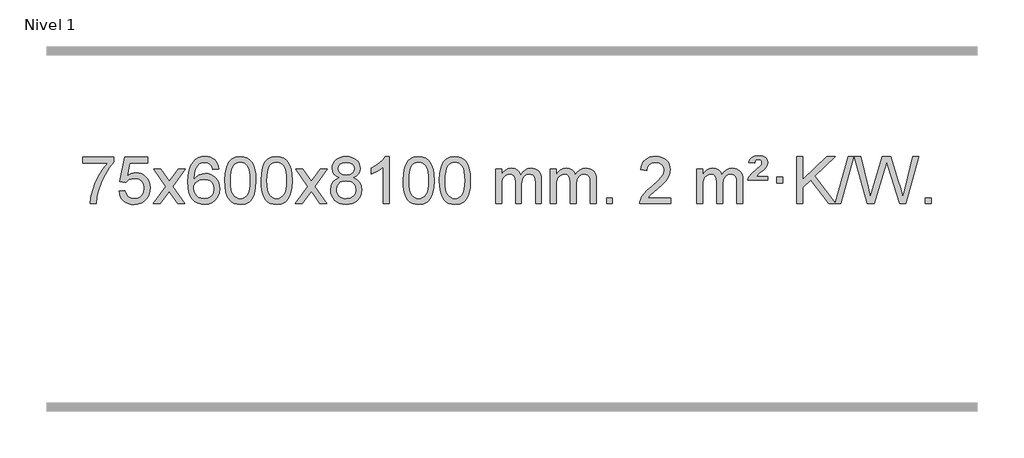
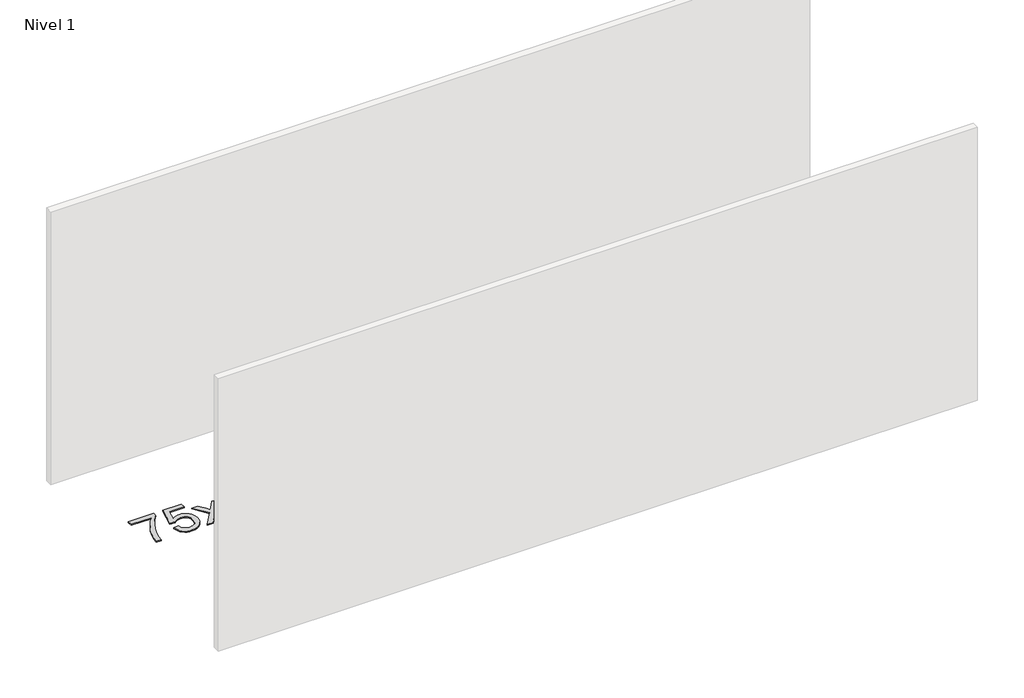
# One storey, part 19 of 25: 1 proxy.
"""IFC4 building model written with IfcOpenShell, lengths in millimetres."""

from ifc_helpers import new_model, si_unit, origin, origin_with_axes, place, context, project, spatial, polyline, outline, extrude, element, save

model = new_model("IFC4")

# Units and contexts
model_context = context("Model", 3, world=origin())
ifc_project = project(units=[si_unit("LENGTHUNIT", "METRE", prefix="MILLI")], contexts=[model_context])

# Site, building, storey
site = spatial("IfcSite", under=ifc_project)
building = spatial("IfcBuilding", under=site)
storey = spatial("IfcBuildingStorey", under=building, Name="Nivel 1", Elevation=0.0)

# Proxy
placement = place(None, origin())
element("IfcBuildingElementProxy", 1, Name="Texto de modelo 1", ObjectType="Texto de modelo 1", at=placement, inside=storey, context=model_context, shape_type="SweptSolid", body=[
    extrude(outline(polyline([(76.1355068, -12090.2608869), (76.1355068, -12040.0327318), (339.8333209, -12040.0327318), (339.8333209, -12080.646904), (302.2480437, -12128.214046), (265.0306485, -12188.7061088), (232.2033118, -12256.6048623), (207.7882101, -12326.3920768), (195.8197825, -12378.6067947), (189.1488557, -12435.579453), (138.9207006, -12435.579453), (144.3530914, -12383.8061935), (158.8844302, -12322.2717985), (182.1223096, -12257.0463207), (213.674322, -12194.1998132), (250.5115725, -12137.3865704), (289.6051658, -12090.2608869), (76.1355068, -12090.2608869)])), origin_with_axes(), (0.0, 0.0, 1.0), 10.0),
    extrude(outline(polyline([(383.7829566, -12328.8446235), (434.0111117, -12322.5661041), (443.232687, -12352.7201649), (459.3213929, -12374.3148381), (482.203653, -12387.3010725), (511.8058909, -12391.6298173), (530.9357547, -12390.1245668), (547.8092755, -12385.6088153), (562.4264534, -12378.0825628), (574.7872885, -12367.5458094), (584.6158691, -12354.519721), (591.6362839, -12339.5254641), (597.2526157, -12303.6324441), (591.9919031, -12269.8363514), (585.4160125, -12255.9181493), (576.2097655, -12243.9865099), (564.3425055, -12234.4154467), (549.7835755, -12227.5789729), (512.5907058, -12222.1097939), (488.224655, -12224.2925604), (468.4939173, -12230.8408599), (452.7363052, -12240.8717757), (440.2896311, -12253.5023908), (390.061476, -12247.2238715), (434.0111117, -12040.0327318), (628.6452126, -12040.0327318), (628.6452126, -12090.2608869), (474.6252839, -12090.2608869), (453.0428735, -12200.919791), (470.7686544, -12188.2155994), (488.9236308, -12179.1411769), (507.5078029, -12173.6965234), (526.5211707, -12171.8816388), (550.9853234, -12174.1318504), (573.4629133, -12180.882485), (593.9539404, -12192.1335427), (612.4584048, -12207.8850234), (627.7806899, -12227.1743027), (638.7251792, -12249.038756), (645.2918729, -12273.4783832), (647.4807707, -12300.4931844), (645.5126021, -12326.5147042), (639.608096, -12350.7213394), (629.7672527, -12373.1130902), (615.9900719, -12393.6899565), (595.1189001, -12414.7634634), (570.765112, -12429.8159684), (542.9287077, -12438.8474714), (511.6096872, -12441.8579724), (485.6893349, -12439.9235262), (462.2767116, -12434.1201877), (441.3718173, -12424.447957), (422.9746518, -12410.9068338), (407.6676951, -12394.1712688), (396.033427, -12374.915712), (388.0718475, -12353.1401636), (383.7829566, -12328.8446235)])), origin_with_axes(), (0.0, 0.0, 1.0), 10.0),
    extrude(outline(polyline([(672.5948483, -12435.579453), (779.918289, -12287.1513307), (678.8733677, -12140.4890419), (739.107913, -12140.4890419), (787.8645401, -12211.2204869), (810.7222747, -12244.4770192), (830.5388515, -12217.2047007), (886.0645073, -12140.4890419), (946.4952564, -12140.4890419), (840.3490381, -12287.2494325), (942.5711818, -12435.579453), (882.2385346, -12435.579453), (820.6305631, -12346.3067555), (809.4469505, -12329.923744), (733.0255973, -12435.579453), (672.5948483, -12435.579453)])), origin_with_axes(), (0.0, 0.0, 1.0), 10.0),
    extrude(outline(polyline([(1231.3830735, -12140.4890419), (1181.1549184, -12146.7675613), (1173.0615145, -12121.874213), (1162.1231565, -12104.8780648), (1139.3389983, -12089.2062918), (1111.7968996, -12083.9823675), (1088.4486556, -12087.0235253), (1066.4738378, -12096.1469988), (1047.6014914, -12115.3627017), (1032.1872358, -12141.8134171), (1021.7761754, -12179.227016), (1017.9134144, -12231.3313693), (1038.061085, -12207.8237098), (1062.2064066, -12191.2567573), (1089.0004786, -12181.434308), (1117.0944003, -12178.1601582), (1141.2274592, -12180.398107), (1163.4965826, -12187.1119534), (1183.9017706, -12198.3016975), (1202.4430232, -12213.9673391), (1217.8511474, -12233.1769106), (1228.8569504, -12254.9984443), (1235.4604323, -12279.4319401), (1237.6615929, -12306.4773982), (1233.5167891, -12342.4439945), (1221.0823776, -12375.786366), (1201.3884281, -12404.0642287), (1175.4650102, -12424.8372987), (1144.4893462, -12437.602804), (1109.6386585, -12441.8579724), (1079.6961298, -12439.0375437), (1052.6537375, -12430.5762579), (1028.5114816, -12416.4741147), (1007.269362, -12396.7311143), (989.9513171, -12370.5133908), (977.581285, -12336.9870783), (970.1592658, -12296.1521768), (967.6852593, -12248.0086864), (970.4321116, -12194.0342663), (978.6726683, -12147.9693092), (992.4069294, -12109.8138149), (1011.634895, -12079.5677835), (1032.4754101, -12059.5243462), (1056.6391258, -12045.2076052), (1084.1260422, -12036.6175606), (1114.9361593, -12033.7542124), (1138.0698054, -12035.5261773), (1159.0084223, -12040.8420722), (1177.7520099, -12049.7018969), (1194.3005684, -12062.1056515), (1208.2065078, -12077.6364031), (1219.0222384, -12095.8772186), (1226.7477603, -12116.8280983), (1231.3830735, -12140.4890419)]), holes=[polyline([(1017.9134144, -12305.6925832), (1020.8196822, -12327.9494439), (1029.5384855, -12349.2007605), (1043.0765429, -12367.472233), (1060.4405731, -12380.7895612), (1081.397584, -12388.9197533), (1105.7145839, -12391.6298173), (1138.8607517, -12386.0134855), (1152.7758882, -12378.9930708), (1164.9190597, -12369.1644901), (1174.7691001, -12356.9262824), (1181.8048433, -12342.6769865), (1187.4334378, -12308.1451299), (1181.8784197, -12274.9989621), (1174.934647, -12261.3781312), (1165.2133653, -12249.725469), (1153.0334056, -12240.3904634), (1138.7135989, -12233.7226022), (1103.6544448, -12228.3883133), (1070.5573279, -12233.7226022), (1042.8803391, -12249.725469), (1031.9573096, -12261.2248471), (1024.1551456, -12274.3858254), (1019.4738472, -12289.2084042), (1017.9134144, -12305.6925832)])]), origin_with_axes(), (0.0, 0.0, 1.0), 10.0),
    extrude(outline(polyline([(1281.6112286, -12237.9041943), (1285.3023112, -12173.5861588), (1296.3755593, -12122.2911459), (1314.7206081, -12083.2343407), (1326.5786711, -12068.0009605), (1340.2270931, -12055.6309284), (1355.7118594, -12046.0598651), (1373.0789553, -12039.2233914), (1413.4601356, -12033.7542124), (1444.4112742, -12036.991574), (1472.1250511, -12046.7036586), (1495.3016168, -12062.5103217), (1512.6411215, -12084.0314184), (1525.7377206, -12111.0830078), (1536.1855692, -12143.4811488), (1543.0281743, -12184.6226186), (1545.3090427, -12237.9041943), (1541.6547482, -12301.8543477), (1530.6918648, -12353.0267333), (1512.4571805, -12392.1203266), (1500.6267087, -12407.3996922), (1486.9874837, -12419.8341036), (1471.4843233, -12429.4695462), (1454.0620452, -12436.3520052), (1413.4601356, -12441.8579724), (1385.7954096, -12439.4667394), (1361.2699432, -12432.2930405), (1339.8837366, -12420.3368757), (1321.6367896, -12403.5982449), (1304.1256067, -12373.3399508), (1291.6176188, -12335.6381776), (1284.1128261, -12290.4929255), (1281.6112286, -12237.9041943)]), holes=[polyline([(1331.8393836, -12237.8060924), (1333.3109116, -12281.4706195), (1337.7254956, -12316.8148822), (1345.0831355, -12343.8388804), (1355.3838313, -12362.5426142), (1367.8427682, -12375.2682656), (1381.6751312, -12384.3580165), (1396.8809204, -12389.8118671), (1413.4601356, -12391.6298173), (1430.0393509, -12389.8057357), (1445.24514, -12384.3334911), (1459.077503, -12375.2130833), (1471.5364399, -12362.4445124), (1481.8371358, -12343.7101217), (1489.1947757, -12316.6922549), (1493.6093596, -12281.3909118), (1495.0808876, -12237.8060924), (1493.6584106, -12195.2973278), (1489.3909794, -12160.5753989), (1482.2785942, -12133.6403055), (1472.3212549, -12114.4920476), (1460.0707844, -12101.1440625), (1446.0790059, -12091.6097875), (1430.3459192, -12085.8892225), (1412.8715244, -12083.9823675), (1396.3781483, -12085.6623619), (1381.4298766, -12090.7023452), (1368.0267092, -12099.1023175), (1356.1686462, -12110.8622786), (1345.5245938, -12131.708925), (1337.9216993, -12159.8151094), (1333.3599625, -12195.1808319), (1331.8393836, -12237.8060924)])]), origin_with_axes(), (0.0, 0.0, 1.0), 10.0),
    extrude(outline(polyline([(1589.2586784, -12237.9041943), (1592.9497611, -12173.5861588), (1604.0230091, -12122.2911459), (1622.368058, -12083.2343407), (1634.2261209, -12068.0009605), (1647.874543, -12055.6309284), (1663.3593093, -12046.0598651), (1680.7264051, -12039.2233914), (1721.1075855, -12033.7542124), (1752.058724, -12036.991574), (1779.772501, -12046.7036586), (1802.9490667, -12062.5103217), (1820.2885714, -12084.0314184), (1833.3851704, -12111.0830078), (1843.833019, -12143.4811488), (1850.6756242, -12184.6226186), (1852.9564925, -12237.9041943), (1849.302198, -12301.8543477), (1838.3393146, -12353.0267333), (1820.1046304, -12392.1203266), (1808.2741585, -12407.3996922), (1794.6349336, -12419.8341036), (1779.1317731, -12429.4695462), (1761.709495, -12436.3520052), (1721.1075855, -12441.8579724), (1693.4428594, -12439.4667394), (1668.9173931, -12432.2930405), (1647.5311864, -12420.3368757), (1629.2842395, -12403.5982449), (1611.7730565, -12373.3399508), (1599.2650687, -12335.6381776), (1591.760276, -12290.4929255), (1589.2586784, -12237.9041943)]), holes=[polyline([(1639.4868335, -12237.8060924), (1640.9583614, -12281.4706195), (1645.3729454, -12316.8148822), (1652.7305853, -12343.8388804), (1663.0312812, -12362.5426142), (1675.4902181, -12375.2682656), (1689.3225811, -12384.3580165), (1704.5283702, -12389.8118671), (1721.1075855, -12391.6298173), (1737.6868007, -12389.8057357), (1752.8925898, -12384.3334911), (1766.7249529, -12375.2130833), (1779.1838898, -12362.4445124), (1789.4845856, -12343.7101217), (1796.8422255, -12316.6922549), (1801.2568095, -12281.3909118), (1802.7283375, -12237.8060924), (1801.3058604, -12195.2973278), (1797.0384293, -12160.5753989), (1789.926044, -12133.6403055), (1779.9687047, -12114.4920476), (1767.7182342, -12101.1440625), (1753.7264557, -12091.6097875), (1737.993369, -12085.8892225), (1720.5189743, -12083.9823675), (1704.0255981, -12085.6623619), (1689.0773264, -12090.7023452), (1675.6741591, -12099.1023175), (1663.8160961, -12110.8622786), (1653.1720437, -12131.708925), (1645.5691491, -12159.8151094), (1641.0074124, -12195.1808319), (1639.4868335, -12237.8060924)])]), origin_with_axes(), (0.0, 0.0, 1.0), 10.0),
    extrude(outline(polyline([(1878.0705701, -12435.579453), (1985.3940108, -12287.1513307), (1884.3490895, -12140.4890419), (1944.5836348, -12140.4890419), (1993.3402619, -12211.2204869), (2016.1979965, -12244.4770192), (2036.0145733, -12217.2047007), (2091.5402291, -12140.4890419), (2151.9709782, -12140.4890419), (2045.8247599, -12287.2494325), (2148.0469036, -12435.579453), (2087.7142564, -12435.579453), (2026.1062849, -12346.3067555), (2014.9226723, -12329.923744), (1938.5013191, -12435.579453), (1878.0705701, -12435.579453)])), origin_with_axes(), (0.0, 0.0, 1.0), 10.0),
    extrude(outline(polyline([(2252.6234921, -12214.2616447), (2225.7313182, -12201.0178929), (2206.8589719, -12183.0652515), (2195.7121474, -12160.7716026), (2191.9965393, -12134.5048281), (2194.0198903, -12114.0199324), (2200.0899432, -12095.2395565), (2210.206698, -12078.1637006), (2224.3701549, -12062.7923645), (2241.8997319, -12050.088173), (2262.1148476, -12041.0137504), (2285.0155018, -12035.5690969), (2310.6016945, -12033.7542124), (2336.3105146, -12035.6120165), (2359.3828471, -12041.1854287), (2379.8186919, -12050.4744491), (2397.6180491, -12063.4790776), (2412.0390233, -12079.1508506), (2422.3397192, -12096.4413044), (2428.5201367, -12115.3504389), (2430.5802759, -12135.8782543), (2426.9137187, -12161.2989001), (2415.914047, -12183.2124043), (2397.4586336, -12201.0546811), (2371.4248511, -12214.2616447), (2402.3392014, -12230.1909351), (2424.8413168, -12253.6495436), (2438.5633152, -12283.5092989), (2443.1373147, -12318.6420295), (2440.868709, -12343.6947933), (2434.0628921, -12366.6628926), (2422.7198639, -12387.5463272), (2406.8396245, -12406.3450971), (2387.2560396, -12421.88198), (2364.8029752, -12432.9797536), (2339.4804312, -12439.6384177), (2311.2884076, -12441.8579724), (2283.096384, -12439.6292206), (2257.77384, -12432.9429654), (2235.3207756, -12421.7992066), (2215.7371907, -12406.1979443), (2199.8569512, -12387.26735), (2188.5139231, -12366.135595), (2181.7081062, -12342.8026795), (2179.4395005, -12317.2686033), (2184.197441, -12280.7747094), (2198.4712624, -12250.7555386), (2221.5252008, -12228.2411605), (2252.6234921, -12214.2616447)]), holes=[polyline([(2229.6676556, -12315.5027698), (2231.764583, -12334.7184726), (2238.0553651, -12353.3210389), (2249.6681734, -12369.5446349), (2267.7311794, -12381.623427), (2289.3626407, -12389.1282197), (2311.680815, -12391.6298173), (2345.8693151, -12386.3691048), (2359.7629918, -12379.7932141), (2371.5229529, -12370.5869672), (2387.5626079, -12346.6869002), (2392.9091596, -12317.0723996), (2387.3909297, -12286.9551269), (2370.8362399, -12262.5277625), (2358.7574477, -12253.0854579), (2344.5939909, -12246.3409547), (2310.0130833, -12240.9453521), (2276.3028298, -12246.2673783), (2262.565503, -12252.919911), (2250.9067094, -12262.2334569), (2234.9774191, -12286.1948375), (2229.6676556, -12315.5027698)]), polyline([(2242.2246944, -12135.9763561), (2246.6760665, -12157.902123), (2260.0301829, -12175.413306), (2281.8946362, -12186.8912243), (2311.8770188, -12190.717197), (2341.1604256, -12186.9157497), (2362.693785, -12175.5114079), (2375.9375369, -12158.5888361), (2380.3521208, -12138.232699), (2375.7903841, -12117.1040098), (2362.1051739, -12099.629615), (2340.2775088, -12087.8941794), (2311.2884076, -12083.9823675), (2282.1153654, -12087.8083402), (2260.3244885, -12099.2862585), (2246.7496429, -12116.1107284), (2242.2246944, -12135.9763561)])]), origin_with_axes(), (0.0, 0.0, 1.0), 10.0),
    extrude(outline(polyline([(2675.4425319, -12435.579453), (2625.2143768, -12435.579453), (2625.2143768, -12122.4382987), (2604.2451031, -12139.3976587), (2577.6349721, -12156.3324932), (2524.7580667, -12181.6918254), (2524.7580667, -12134.2105225), (2564.2072793, -12112.7507395), (2598.3835166, -12087.219729), (2625.3247414, -12060.0700378), (2643.0689163, -12033.7542124), (2675.4425319, -12033.7542124), (2675.4425319, -12435.579453)])), origin_with_axes(), (0.0, 0.0, 1.0), 10.0),
    extrude(outline(polyline([(2794.7344002, -12237.9041943), (2798.4254829, -12173.5861588), (2809.4987309, -12122.2911459), (2827.8437797, -12083.2343407), (2839.7018427, -12068.0009605), (2853.3502647, -12055.6309284), (2868.8350311, -12046.0598651), (2886.2021269, -12039.2233914), (2926.5833073, -12033.7542124), (2957.5344458, -12036.991574), (2985.2482228, -12046.7036586), (3008.4247884, -12062.5103217), (3025.7642932, -12084.0314184), (3038.8608922, -12111.0830078), (3049.3087408, -12143.4811488), (3056.151346, -12184.6226186), (3058.4322143, -12237.9041943), (3054.7779198, -12301.8543477), (3043.8150364, -12353.0267333), (3025.5803522, -12392.1203266), (3013.7498803, -12407.3996922), (3000.1106554, -12419.8341036), (2984.6074949, -12429.4695462), (2967.1852168, -12436.3520052), (2926.5833073, -12441.8579724), (2898.9185812, -12439.4667394), (2874.3931149, -12432.2930405), (2853.0069082, -12420.3368757), (2834.7599613, -12403.5982449), (2817.2487783, -12373.3399508), (2804.7407905, -12335.6381776), (2797.2359977, -12290.4929255), (2794.7344002, -12237.9041943)]), holes=[polyline([(2844.9625553, -12237.8060924), (2846.4340832, -12281.4706195), (2850.8486672, -12316.8148822), (2858.2063071, -12343.8388804), (2868.5070029, -12362.5426142), (2880.9659399, -12375.2682656), (2894.7983029, -12384.3580165), (2910.004092, -12389.8118671), (2926.5833073, -12391.6298173), (2943.1625225, -12389.8057357), (2958.3683116, -12384.3334911), (2972.2006747, -12375.2130833), (2984.6596116, -12362.4445124), (2994.9603074, -12343.7101217), (3002.3179473, -12316.6922549), (3006.7325313, -12281.3909118), (3008.2040592, -12237.8060924), (3006.7815822, -12195.2973278), (3002.5141511, -12160.5753989), (2995.4017658, -12133.6403055), (2985.4444265, -12114.4920476), (2973.193956, -12101.1440625), (2959.2021775, -12091.6097875), (2943.4690908, -12085.8892225), (2925.9946961, -12083.9823675), (2909.5013199, -12085.6623619), (2894.5530482, -12090.7023452), (2881.1498808, -12099.1023175), (2869.2918179, -12110.8622786), (2858.6477655, -12131.708925), (2851.0448709, -12159.8151094), (2846.4831342, -12195.1808319), (2844.9625553, -12237.8060924)])]), origin_with_axes(), (0.0, 0.0, 1.0), 10.0),
    extrude(outline(polyline([(3102.38185, -12237.9041943), (3106.0729327, -12173.5861588), (3117.1461808, -12122.2911459), (3135.4912296, -12083.2343407), (3147.3492926, -12068.0009605), (3160.9977146, -12055.6309284), (3176.4824809, -12046.0598651), (3193.8495767, -12039.2233914), (3234.2307571, -12033.7542124), (3265.1818956, -12036.991574), (3292.8956726, -12046.7036586), (3316.0722383, -12062.5103217), (3333.411743, -12084.0314184), (3346.508342, -12111.0830078), (3356.9561907, -12143.4811488), (3363.7987958, -12184.6226186), (3366.0796642, -12237.9041943), (3362.4253697, -12301.8543477), (3351.4624862, -12353.0267333), (3333.227802, -12392.1203266), (3321.3973302, -12407.3996922), (3307.7581052, -12419.8341036), (3292.2549448, -12429.4695462), (3274.8326666, -12436.3520052), (3234.2307571, -12441.8579724), (3206.566031, -12439.4667394), (3182.0405647, -12432.2930405), (3160.6543581, -12420.3368757), (3142.4074111, -12403.5982449), (3124.8962281, -12373.3399508), (3112.3882403, -12335.6381776), (3104.8834476, -12290.4929255), (3102.38185, -12237.9041943)]), holes=[polyline([(3152.6100051, -12237.8060924), (3154.0815331, -12281.4706195), (3158.496117, -12316.8148822), (3165.8537569, -12343.8388804), (3176.1544528, -12362.5426142), (3188.6133897, -12375.2682656), (3202.4457527, -12384.3580165), (3217.6515418, -12389.8118671), (3234.2307571, -12391.6298173), (3250.8099723, -12389.8057357), (3266.0157615, -12384.3334911), (3279.8481245, -12375.2130833), (3292.3070614, -12362.4445124), (3302.6077573, -12343.7101217), (3309.9653972, -12316.6922549), (3314.3799811, -12281.3909118), (3315.8515091, -12237.8060924), (3314.429032, -12195.2973278), (3310.1616009, -12160.5753989), (3303.0492157, -12133.6403055), (3293.0918763, -12114.4920476), (3280.8414059, -12101.1440625), (3266.8496273, -12091.6097875), (3251.1165407, -12085.8892225), (3233.6421459, -12083.9823675), (3217.1487698, -12085.6623619), (3202.200498, -12090.7023452), (3188.7973307, -12099.1023175), (3176.9392677, -12110.8622786), (3166.2952153, -12131.708925), (3158.6923207, -12159.8151094), (3154.130584, -12195.1808319), (3152.6100051, -12237.8060924)])]), origin_with_axes(), (0.0, 0.0, 1.0), 10.0),
    extrude(outline(polyline([(3579.5493232, -12435.579453), (3579.5493232, -12140.4890419), (3629.7774783, -12140.4890419), (3629.7774783, -12189.0494653), (3644.8851656, -12166.7435537), (3664.3093349, -12149.2691589), (3687.3877987, -12137.9751816), (3713.4583695, -12134.2105225), (3741.3928756, -12138.048758), (3763.7846264, -12149.5634645), (3780.5109945, -12167.9943524), (3791.4493524, -12192.5811324), (3809.7576131, -12167.0439906), (3830.6410477, -12148.803175), (3854.0996562, -12137.8586857), (3880.1334388, -12134.2105225), (3900.2412555, -12135.7280358), (3917.8903942, -12140.2805755), (3933.0808549, -12147.8681416), (3945.8126376, -12158.4907342), (3955.8772759, -12172.2709806), (3963.0663032, -12189.3315082), (3967.3797196, -12209.6723168), (3968.8175251, -12233.2934066), (3968.8175251, -12435.579453), (3918.58937, -12435.579453), (3918.58937, -12254.875817), (3917.4244103, -12229.8230531), (3913.9295314, -12212.9372695), (3907.3812319, -12201.3735121), (3897.0560105, -12192.2868268), (3883.7754705, -12186.4007149), (3868.3612149, -12184.4386776), (3841.15021, -12189.4663982), (3818.9669257, -12204.54956), (3810.3615527, -12216.1194488), (3804.2148577, -12230.7182326), (3799.2975017, -12269.0024856), (3799.2975017, -12435.579453), (3749.0693466, -12435.579453), (3749.0693466, -12249.2840106), (3746.1630788, -12220.8835206), (3737.4442756, -12200.6254854), (3722.1035964, -12188.4853796), (3699.3317009, -12184.4386776), (3679.9811079, -12187.1364789), (3662.1510939, -12195.2298828), (3647.4358141, -12208.5226856), (3637.4294238, -12226.8186835), (3631.6904647, -12252.2025411), (3629.7774783, -12286.7589232), (3629.7774783, -12435.579453), (3579.5493232, -12435.579453)])), origin_with_axes(), (0.0, 0.0, 1.0), 10.0),
    extrude(outline(polyline([(4044.1597577, -12435.579453), (4044.1597577, -12140.4890419), (4094.3879127, -12140.4890419), (4094.3879127, -12189.0494653), (4109.4956, -12166.7435537), (4128.9197694, -12149.2691589), (4151.9982332, -12137.9751816), (4178.0688039, -12134.2105225), (4206.0033101, -12138.048758), (4228.3950609, -12149.5634645), (4245.1214289, -12167.9943524), (4256.0597869, -12192.5811324), (4274.3680475, -12167.0439906), (4295.2514821, -12148.803175), (4318.7100907, -12137.8586857), (4344.7438732, -12134.2105225), (4364.8516899, -12135.7280358), (4382.5008286, -12140.2805755), (4397.6912893, -12147.8681416), (4410.4230721, -12158.4907342), (4420.4877103, -12172.2709806), (4427.6767376, -12189.3315082), (4431.990154, -12209.6723168), (4433.4279595, -12233.2934066), (4433.4279595, -12435.579453), (4383.1998044, -12435.579453), (4383.1998044, -12254.875817), (4382.0348448, -12229.8230531), (4378.5399658, -12212.9372695), (4371.9916663, -12201.3735121), (4361.666445, -12192.2868268), (4348.3859049, -12186.4007149), (4332.9716493, -12184.4386776), (4305.7606444, -12189.4663982), (4283.5773601, -12204.54956), (4274.9719871, -12216.1194488), (4268.8252921, -12230.7182326), (4263.9079361, -12269.0024856), (4263.9079361, -12435.579453), (4213.679781, -12435.579453), (4213.679781, -12249.2840106), (4210.7735133, -12220.8835206), (4202.05471, -12200.6254854), (4186.7140308, -12188.4853796), (4163.9421353, -12184.4386776), (4144.5915424, -12187.1364789), (4126.7615283, -12195.2298828), (4112.0462485, -12208.5226856), (4102.0398582, -12226.8186835), (4096.3008991, -12252.2025411), (4094.3879127, -12286.7589232), (4094.3879127, -12435.579453), (4044.1597577, -12435.579453)])), origin_with_axes(), (0.0, 0.0, 1.0), 10.0),
    extrude(outline(polyline([(4521.3272309, -12435.579453), (4521.3272309, -12385.3512979), (4571.555386, -12385.3512979), (4571.555386, -12435.579453), (4521.3272309, -12435.579453)])), origin_with_axes(), (0.0, 0.0, 1.0), 10.0),
    extrude(outline(polyline([(5067.5584173, -12385.3512979), (5067.5584173, -12435.579453), (4803.8606032, -12435.579453), (4804.9642492, -12417.8965918), (4809.2562058, -12400.9494945), (4821.653829, -12373.8856424), (4839.8149368, -12347.6311307), (4866.0694486, -12320.1503456), (4902.7472835, -12289.4076736), (4956.9363014, -12241.2641831), (4989.4202815, -12205.7267824), (5005.6438775, -12176.884834), (5011.0517429, -12148.8277005), (5005.9381831, -12123.6768347), (4990.5975039, -12102.7688747), (4967.016268, -12088.6789943), (4937.1810382, -12083.9823675), (4905.849755, -12088.5686297), (4881.5082296, -12102.3274163), (4865.7996684, -12124.1796068), (4860.3672776, -12153.0460807), (4810.1391226, -12146.7675613), (4814.4586703, -12120.838012), (4822.3160166, -12098.1826125), (4833.7111614, -12078.8013627), (4848.6441047, -12062.6942627), (4866.77149, -12050.0329907), (4887.7499608, -12040.989225), (4911.579517, -12035.5629655), (4938.2601587, -12033.7542124), (4965.1799237, -12035.7653006), (4989.1382387, -12041.7985654), (5010.1351036, -12051.8540066), (5028.1705184, -12065.9316242), (5042.6558719, -12082.9890861), (5053.002553, -12101.9840598), (5059.2105617, -12122.9165453), (5061.2798979, -12145.7865427), (5059.0480805, -12169.8092369), (5052.3526282, -12193.4149983), (5040.4700397, -12217.4254299), (5022.6768139, -12242.6621347), (4994.3131121, -12272.7916701), (4950.7190956, -12311.4805933), (4892.9370969, -12359.795762), (4870.275566, -12385.3512979), (5067.5584173, -12385.3512979)])), origin_with_axes(), (0.0, 0.0, 1.0), 10.0),
    extrude(outline(polyline([(5287.3065958, -12435.579453), (5287.3065958, -12140.4890419), (5337.5347508, -12140.4890419), (5337.5347508, -12189.0494653), (5352.6424381, -12166.7435537), (5372.0666075, -12149.2691589), (5395.1450713, -12137.9751816), (5421.215642, -12134.2105225), (5449.1501482, -12138.048758), (5471.541899, -12149.5634645), (5488.268267, -12167.9943524), (5499.206625, -12192.5811324), (5517.5148856, -12167.0439906), (5538.3983202, -12148.803175), (5561.8569288, -12137.8586857), (5587.8907113, -12134.2105225), (5607.998528, -12135.7280358), (5625.6476667, -12140.2805755), (5640.8381275, -12147.8681416), (5653.5699102, -12158.4907342), (5663.6345484, -12172.2709806), (5670.8235757, -12189.3315082), (5675.1369921, -12209.6723168), (5676.5747976, -12233.2934066), (5676.5747976, -12435.579453), (5626.3466425, -12435.579453), (5626.3466425, -12254.875817), (5625.1816829, -12229.8230531), (5621.6868039, -12212.9372695), (5615.1385044, -12201.3735121), (5604.8132831, -12192.2868268), (5591.532743, -12186.4007149), (5576.1184874, -12184.4386776), (5548.9074825, -12189.4663982), (5526.7241982, -12204.54956), (5518.1188252, -12216.1194488), (5511.9721302, -12230.7182326), (5507.0547742, -12269.0024856), (5507.0547742, -12435.579453), (5456.8266191, -12435.579453), (5456.8266191, -12249.2840106), (5453.9203514, -12220.8835206), (5445.2015481, -12200.6254854), (5429.8608689, -12188.4853796), (5407.0889734, -12184.4386776), (5387.7383805, -12187.1364789), (5369.9083664, -12195.2298828), (5355.1930866, -12208.5226856), (5345.1866963, -12226.8186835), (5339.4477372, -12252.2025411), (5337.5347508, -12286.7589232), (5337.5347508, -12435.579453), (5287.3065958, -12435.579453)])), origin_with_axes(), (0.0, 0.0, 1.0), 10.0),
    extrude(outline(polyline([(5720.5244333, -12234.6668327), (5724.350406, -12218.8479069), (5732.6890646, -12202.9799302), (5754.1978986, -12177.8413272), (5786.1545812, -12150.1030247), (5830.3004207, -12112.726214), (5837.4373314, -12101.1992448), (5839.8163016, -12089.3779701), (5837.9278407, -12077.2869152), (5832.262458, -12067.5012541), (5822.8937298, -12061.026531), (5809.8952327, -12058.8682899), (5797.4608212, -12060.4869707), (5788.6071279, -12065.343013), (5782.1814557, -12074.8098431), (5777.0311077, -12090.2608869), (5726.8029527, -12083.9823675), (5737.6432088, -12058.7701881), (5754.271475, -12041.2099542), (5778.0366519, -12030.9092583), (5810.2876401, -12027.475693), (5846.0702955, -12031.6082341), (5870.8164911, -12044.0058573), (5885.2374653, -12062.3386434), (5890.0444567, -12084.2766731), (5885.9487038, -12107.1834586), (5873.6614451, -12128.8149199), (5853.1336298, -12148.6314968), (5816.6642614, -12176.6886303), (5791.0596745, -12203.2742358), (5890.0444567, -12203.2742358), (5890.0444567, -12234.6668327), (5720.5244333, -12234.6668327)])), origin_with_axes(), (0.0, 0.0, 1.0), 10.0),
    extrude(outline(polyline([(5965.3866893, -12259.7809102), (5965.3866893, -12209.5527552), (6015.6148444, -12209.5527552), (6015.6148444, -12259.7809102), (5965.3866893, -12259.7809102)])), origin_with_axes(), (0.0, 0.0, 1.0), 10.0),
    extrude(outline(polyline([(6406.2564723, -12435.579453), (6252.727053, -12232.9009991), (6185.1348677, -12297.4520265), (6185.1348677, -12435.579453), (6134.9067127, -12435.579453), (6134.9067127, -12033.7542124), (6185.1348677, -12033.7542124), (6185.1348677, -12230.4484525), (6391.148785, -12033.7542124), (6461.3897206, -12033.7542124), (6288.3380301, -12198.9577537), (6463.0890636, -12429.5373449), (6574.4030696, -12033.7542124), (6619.9223351, -12033.7542124), (6506.8108843, -12435.579453), (6467.66824, -12435.579453), (6461.3897206, -12435.579453), (6406.2564723, -12435.579453)])), origin_with_axes(), (0.0, 0.0, 1.0), 10.0),
    extrude(outline(polyline([(6734.2110083, -12435.579453), (6624.6312246, -12033.7542124), (6676.4290096, -12033.7542124), (6739.9990183, -12297.844434), (6759.6193914, -12379.3670841), (6780.6131906, -12307.2622131), (6860.2719053, -12033.7542124), (6934.9274248, -12033.7542124), (6992.8075254, -12232.0180823), (7017.6027719, -12305.5944814), (7035.8742443, -12379.3670841), (7054.9060062, -12300.1988788), (7118.9665243, -12033.7542124), (7170.8624111, -12033.7542124), (7061.3807293, -12435.579453), (7007.6209071, -12435.579453), (6911.1867734, -12125.5775584), (6897.7468179, -12082.3146358), (6882.6391306, -12134.4067263), (6794.8379611, -12435.579453), (6734.2110083, -12435.579453)])), origin_with_axes(), (0.0, 0.0, 1.0), 10.0),
    extrude(outline(polyline([(7227.3690855, -12435.579453), (7227.3690855, -12385.3512979), (7277.5972406, -12385.3512979), (7277.5972406, -12435.579453), (7227.3690855, -12435.579453)])), origin_with_axes(), (0.0, 0.0, 1.0), 10.0),
])

save(model, "model.ifc")
